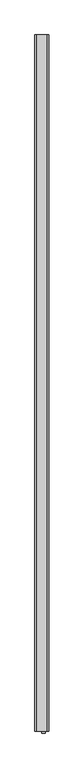
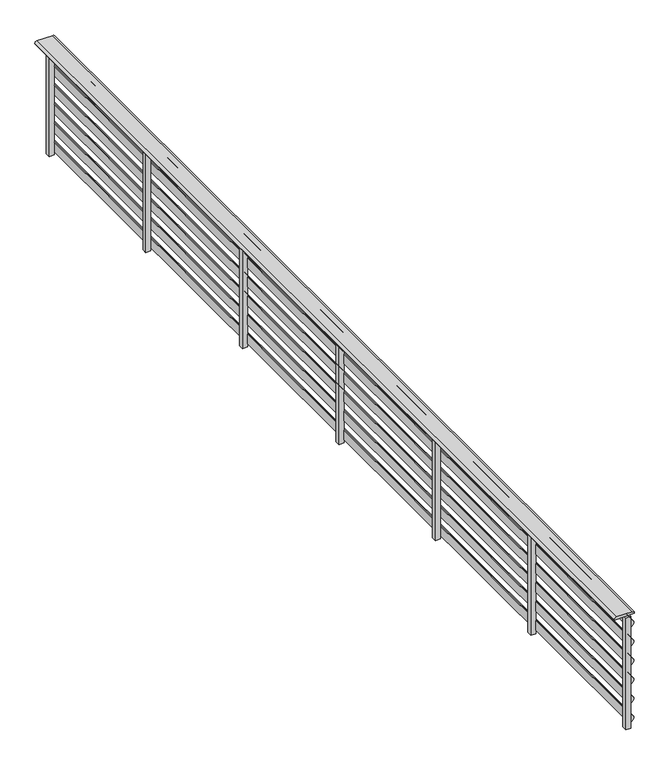
"""IFC4 building model written with IfcOpenShell, lengths in millimetres: railing geometry."""

from ifc_helpers import new_model, si_unit, point, frame, frame_2d, origin, origin_with_axes, place, context, project, spatial, polyline, circle_curve, trimmed, segment, composite_curve, outline, extrude, source, transform, mapped, element, save


def railing_2ce74fdf(model_context):
    return source(origin(), model_context, "Body", "SweptSolid", [
        extrude(outline(composite_curve([segment(trimmed(circle_curve(frame_2d((708.0, -16752.3378421)), 12.0), [point((720.0, -16752.3378421))], [point((708.0, -16764.3378421))], False, "CARTESIAN"), True, "CONTINUOUS"), segment(polyline([(708.0, -16764.3378421), (704.8828423, -16764.3378421), (704.8828423, -16644.3378421), (708.0, -16644.3378421)]), True, "CONTINUOUS"), segment(trimmed(circle_curve(frame_2d((708.0, -16656.3378421)), 12.0), [point((708.0, -16644.3378421))], [point((720.0, -16656.3378421))], False, "CARTESIAN"), True, "CONTINUOUS"), segment(polyline([(720.0, -16656.3378421), (720.0, -16752.3378421)]), True, "CONTINUOUS")], self_intersect=False)), frame((0.0, -25768.5136765, 0.0), z_axis=(0.0, 1.0, 0.0), x_axis=(0.0, 0.0, 1.0)), (0.0, 0.0, 1.0), 6000.0),
        extrude(outline(composite_curve([segment(polyline([(620.0, -16674.3378421), (620.0, -16669.3378421), (628.0, -16669.3378421)]), True, "CONTINUOUS"), segment(trimmed(circle_curve(frame_2d((650.0, -16669.3378421)), 22.0), [point((628.0, -16669.3378421))], [point((672.0, -16669.3378421))], False, "CARTESIAN"), True, "CONTINUOUS"), segment(polyline([(672.0, -16669.3378421), (680.0, -16669.3378421), (680.0, -16674.3378421), (620.0, -16674.3378421)]), True, "CONTINUOUS")], self_intersect=False)), frame((0.0, -25768.5136765, 0.0), z_axis=(0.0, 1.0, 0.0), x_axis=(0.0, 0.0, 1.0)), (0.0, 0.0, 1.0), 6000.0),
        extrude(outline(composite_curve([segment(polyline([(500.0, -16674.3378421), (500.0, -16669.3378421), (508.0, -16669.3378421)]), True, "CONTINUOUS"), segment(trimmed(circle_curve(frame_2d((530.0, -16669.3378421)), 22.0), [point((508.0, -16669.3378421))], [point((552.0, -16669.3378421))], False, "CARTESIAN"), True, "CONTINUOUS"), segment(polyline([(552.0, -16669.3378421), (560.0, -16669.3378421), (560.0, -16674.3378421), (500.0, -16674.3378421)]), True, "CONTINUOUS")], self_intersect=False)), frame((0.0, -25768.5136765, 0.0), z_axis=(0.0, 1.0, 0.0), x_axis=(0.0, 0.0, 1.0)), (0.0, 0.0, 1.0), 6000.0),
        extrude(outline(composite_curve([segment(polyline([(380.0, -16674.3378421), (380.0, -16669.3378421), (388.0, -16669.3378421)]), True, "CONTINUOUS"), segment(trimmed(circle_curve(frame_2d((410.0, -16669.3378421)), 22.0), [point((388.0, -16669.3378421))], [point((432.0, -16669.3378421))], False, "CARTESIAN"), True, "CONTINUOUS"), segment(polyline([(432.0, -16669.3378421), (440.0, -16669.3378421), (440.0, -16674.3378421), (380.0, -16674.3378421)]), True, "CONTINUOUS")], self_intersect=False)), frame((0.0, -25768.5136765, 0.0), z_axis=(0.0, 1.0, 0.0), x_axis=(0.0, 0.0, 1.0)), (0.0, 0.0, 1.0), 6000.0),
        extrude(outline(composite_curve([segment(polyline([(260.0, -16674.3378421), (260.0, -16669.3378421), (268.0, -16669.3378421)]), True, "CONTINUOUS"), segment(trimmed(circle_curve(frame_2d((290.0, -16669.3378421)), 22.0), [point((268.0, -16669.3378421))], [point((312.0, -16669.3378421))], False, "CARTESIAN"), True, "CONTINUOUS"), segment(polyline([(312.0, -16669.3378421), (320.0, -16669.3378421), (320.0, -16674.3378421), (260.0, -16674.3378421)]), True, "CONTINUOUS")], self_intersect=False)), frame((0.0, -25768.5136765, 0.0), z_axis=(0.0, 1.0, 0.0), x_axis=(0.0, 0.0, 1.0)), (0.0, 0.0, 1.0), 6000.0),
        extrude(outline(composite_curve([segment(polyline([(140.0, -16674.3378421), (140.0, -16669.3378421), (148.0, -16669.3378421)]), True, "CONTINUOUS"), segment(trimmed(circle_curve(frame_2d((170.0, -16669.3378421)), 22.0), [point((148.0, -16669.3378421))], [point((192.0, -16669.3378421))], False, "CARTESIAN"), True, "CONTINUOUS"), segment(polyline([(192.0, -16669.3378421), (200.0, -16669.3378421), (200.0, -16674.3378421), (140.0, -16674.3378421)]), True, "CONTINUOUS")], self_intersect=False)), frame((0.0, -25768.5136765, 0.0), z_axis=(0.0, 1.0, 0.0), x_axis=(0.0, 0.0, 1.0)), (0.0, 0.0, 1.0), 6000.0),
        extrude(outline(composite_curve([segment(polyline([(20.0, -16674.3378421), (20.0, -16669.3378421), (28.0, -16669.3378421)]), True, "CONTINUOUS"), segment(trimmed(circle_curve(frame_2d((50.0, -16669.3378421)), 22.0), [point((28.0, -16669.3378421))], [point((72.0, -16669.3378421))], False, "CARTESIAN"), True, "CONTINUOUS"), segment(polyline([(72.0, -16669.3378421), (80.0, -16669.3378421), (80.0, -16674.3378421), (20.0, -16674.3378421)]), True, "CONTINUOUS")], self_intersect=False)), frame((0.0, -25768.5136765, 0.0), z_axis=(0.0, 1.0, 0.0), x_axis=(0.0, 0.0, 1.0)), (0.0, 0.0, 1.0), 6000.0),
        extrude(outline(polyline([(-16674.3378421, -19813.5136765), (-16704.3378421, -19813.5136765), (-16704.3378421, -19783.5136765), (-16674.3378421, -19783.5136765), (-16674.3378421, -19813.5136765)])), origin_with_axes(), (0.0, 0.0, 1.0), 704.8828423),
        extrude(outline(polyline([(-16674.3378421, -20813.5136765), (-16704.3378421, -20813.5136765), (-16704.3378421, -20783.5136765), (-16674.3378421, -20783.5136765), (-16674.3378421, -20813.5136765)])), origin_with_axes(), (0.0, 0.0, 1.0), 704.8828423),
        extrude(outline(polyline([(-16674.3378421, -21813.5136765), (-16704.3378421, -21813.5136765), (-16704.3378421, -21783.5136765), (-16674.3378421, -21783.5136765), (-16674.3378421, -21813.5136765)])), origin_with_axes(), (0.0, 0.0, 1.0), 704.8828423),
        extrude(outline(polyline([(-16674.3378421, -22813.5136765), (-16704.3378421, -22813.5136765), (-16704.3378421, -22783.5136765), (-16674.3378421, -22783.5136765), (-16674.3378421, -22813.5136765)])), origin_with_axes(), (0.0, 0.0, 1.0), 704.8828423),
        extrude(outline(polyline([(-16674.3378421, -23813.5136765), (-16704.3378421, -23813.5136765), (-16704.3378421, -23783.5136765), (-16674.3378421, -23783.5136765), (-16674.3378421, -23813.5136765)])), origin_with_axes(), (0.0, 0.0, 1.0), 704.8828423),
        extrude(outline(polyline([(-16674.3378421, -24798.5136765), (-16704.3378421, -24798.5136765), (-16704.3378421, -24768.5136765), (-16674.3378421, -24768.5136765), (-16674.3378421, -24798.5136765)])), origin_with_axes(), (0.0, 0.0, 1.0), 704.8828423),
        extrude(outline(polyline([(-16674.3378421, -25783.5136765), (-16704.3378421, -25783.5136765), (-16704.3378421, -25753.5136765), (-16674.3378421, -25753.5136765), (-16674.3378421, -25783.5136765)])), origin_with_axes(), (0.0, 0.0, 1.0), 704.8828423),
    ])


if __name__ == "__main__":
    model = new_model("IFC4")
    model_context = context("Model", 3, world=origin())
    ifc_project = project(units=[si_unit("LENGTHUNIT", "METRE", prefix="MILLI")], contexts=[model_context])
    site = spatial("IfcSite", under=ifc_project)
    building = spatial("IfcBuilding", under=site)
    placement = place(None, origin())
    railing_shape = railing_2ce74fdf(model_context)
    element("IfcRailing", 1, at=placement, inside=building, context=model_context, shape_type="MappedRepresentation", body=[
        mapped(railing_shape, transform((0.0, 0.0, 0.0), x_axis=(1.0, 0.0, 0.0), y_axis=(0.0, 1.0, 0.0), z_axis=(0.0, 0.0, 1.0))),
    ])
    save(model, "model.ifc")
